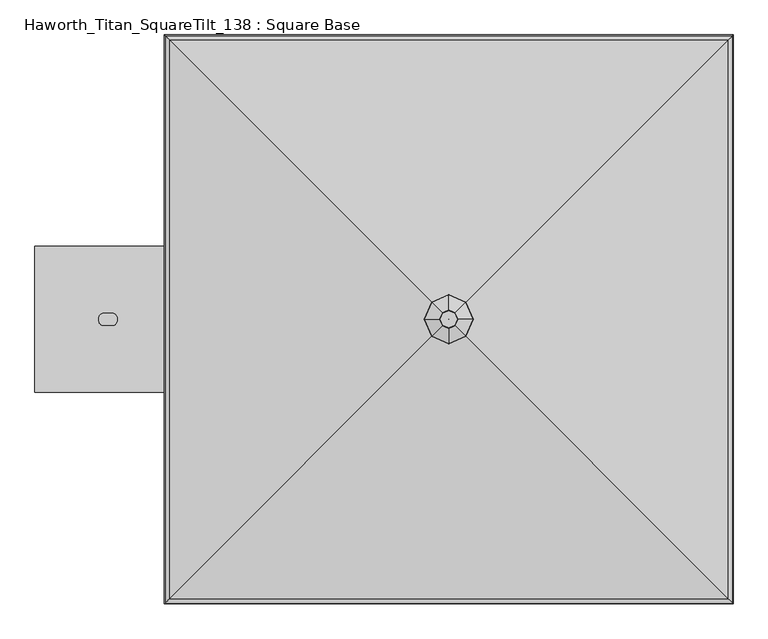
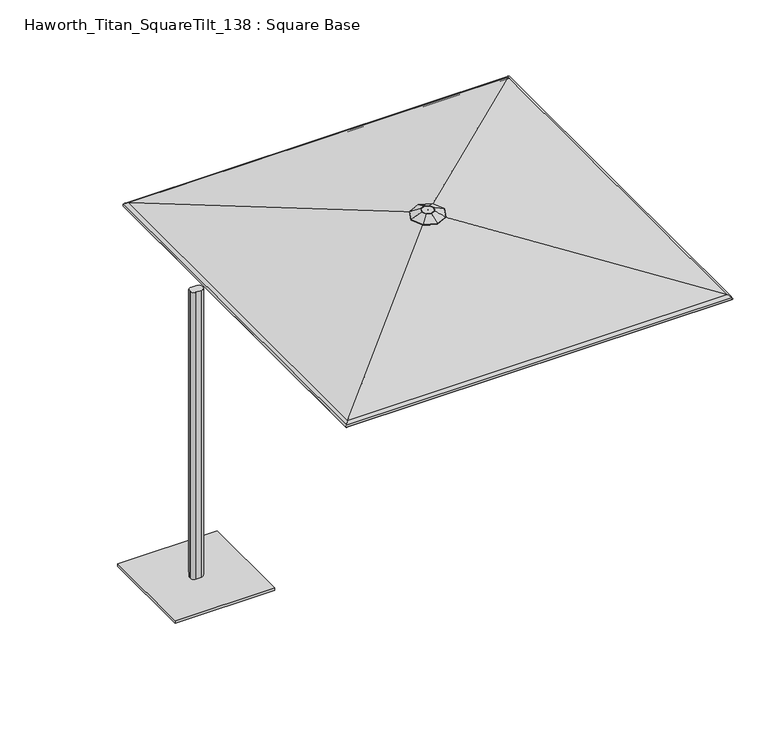
"""IFC4 building model written with IfcOpenShell, lengths in millimetres: furniture geometry, Haworth_Titan_SquareTilt_138 : Square Base."""

from ifc_helpers import new_model, si_unit, point, frame, frame_2d, origin, origin_with_axes, place, context, project, spatial, polyline, circle_curve, ellipse_curve, trimmed, segment, composite_curve, outline, extrude, source, transform, mapped, element, save
from ifc_brep_helpers import plane_surface, cylinder_surface, revolved_surface, advanced_brep


def haworth_titan_squaretilt_138_square_base_9fbd0736(model_context):
    return source(origin(), model_context, "Body", "SolidModel", [
        advanced_brep(
        [(243.7167733, -4.0299408, 2843.4799255), (227.6284214, 33.0984806, 2843.4799255), (190.5, 49.1868325, 2843.4799255), (153.3715786, 33.0984806, 2843.4799255), (137.2832267, -4.0299408, 2843.4799255), (153.3715786, -41.1583622, 2843.4799255), (190.5, -57.2467141, 2843.4799255), (227.6284214, -41.1583622, 2843.4799255), (190.2200807, -3.7500215, 2843.4799255), (190.5, -3.6287279, 2843.4799255), (190.7799193, -3.7500215, 2843.4799255), (190.9012128, -4.0299408, 2843.4799255), (190.7799193, -4.30986, 2843.4799255), (190.5, -4.4311536, 2843.4799255), (190.2200807, -4.30986, 2843.4799255), (190.0987872, -4.0299408, 2843.4799255), (170.7122835, 15.7577757, 2828.9716869), (190.5, 24.3321167, 2828.9716869), (210.2877165, 15.7577757, 2828.9716869), (218.8620575, -4.0299408, 2828.9716869), (210.2877165, -23.8176572, 2828.9716869), (190.5, -32.3919982, 2828.9716869), (170.7122835, -23.8176572, 2828.9716869), (162.1379425, -4.0299408, 2828.9716869), (190.9012128, -4.0299408, 2828.9716869), (190.7799193, -3.7500215, 2828.9716869), (190.5, -3.6287279, 2828.9716869), (190.2200807, -3.7500215, 2828.9716869), (190.0987872, -4.0299408, 2828.9716869), (190.2200807, -4.30986, 2828.9716869), (190.5, -4.4311536, 2828.9716869), (190.7799193, -4.30986, 2828.9716869), (84.5700231, 101.9000361, 2796.4187712), (38.6688326, -4.0299408, 2796.4187712), (83.8039003, 102.6661589, 2798.9948487), (37.5707362, -4.0299408, 2798.9948487), (149.033862, 37.4361973, 2842.1265361), (131.0659065, -4.0299408, 2842.1265361), (84.5700231, -109.9599176, 2796.4187712), (83.8039003, -110.7260405, 2798.9948487), (149.033862, -45.4960788, 2842.1265361), (190.5, -155.8611082, 2796.4187712), (190.5, -156.9592046, 2798.9948487), (190.5, -63.4640343, 2842.1265361), (296.4299769, -109.9599176, 2796.4187712), (297.1960997, -110.7260405, 2798.9948487), (231.966138, -45.4960788, 2842.1265361), (342.3311674, -4.0299408, 2796.4187712), (343.4292638, -4.0299408, 2798.9948487), (249.9340935, -4.0299408, 2842.1265361), (296.4299769, 101.9000361, 2796.4187712), (297.1960997, 102.6661589, 2798.9948487), (231.966138, 37.4361973, 2842.1265361), (190.5, 147.8012266, 2796.4187712), (190.5, 148.899323, 2798.9948487), (190.5, 55.4041527, 2842.1265361)],
        [
            (0, 1),
            (1, 2),
            (2, 3),
            (3, 4),
            (4, 5),
            (5, 6),
            (6, 7),
            (7, 0),
            (8, 9),
            (9, 10),
            (10, 11),
            (11, 12),
            (12, 13),
            (13, 14),
            (14, 15),
            (15, 8),
            (16, 17),
            (17, 18),
            (18, 19),
            (19, 20),
            (20, 21),
            (21, 22),
            (22, 23),
            (23, 16),
            (24, 25),
            (25, 26),
            (26, 27),
            (27, 28),
            (28, 29),
            (29, 30),
            (30, 31),
            (31, 24),
            (27, 8),
            (15, 28),
            (14, 29),
            (13, 30),
            (12, 31),
            (11, 24),
            (10, 25),
            (9, 26),
            (32, 16),
            (23, 33),
            (33, 32),
            (34, 32, ellipse_curve(frame((84.278338, 102.1917212, 2797.7538132), z_axis=(-0.7071067811865479, -0.707106781186547, 0.0), x_axis=(-0.7071067811865467, 0.7071067811865482, 0.0)), 1.4936871, 1.3890625)),
            (33, 35, ellipse_curve(frame((38.2507556, -4.0299408, 2797.7538132), z_axis=(0.0, 0.9999999999999999, 0.0), x_axis=(1.0, 0.0, 0.0)), 1.5138634, 1.3890625)),
            (35, 34),
            (36, 34),
            (35, 37),
            (37, 36),
            (3, 36, ellipse_curve(frame((153.3715786, 33.0984806, 2830.7799255), z_axis=(-0.7071067811865479, -0.707106781186547, 0.0), x_axis=(-0.7071067811865467, 0.7071067811865482, 0.0)), 13.656568, 12.7)),
            (37, 4, ellipse_curve(frame((137.2832267, -4.0299408, 2830.7799255), z_axis=(0.0, 0.9999999999999999, 0.0), x_axis=(1.0, 0.0, 0.0)), 13.8410369, 12.7)),
            (22, 38),
            (38, 33),
            (38, 39, ellipse_curve(frame((84.278338, -110.2516027, 2797.7538132), z_axis=(-0.707106781186547, 0.707106781186548, 0.0), x_axis=(0.7071067811865479, 0.707106781186547, 0.0)), 1.4936871, 1.3890625)),
            (39, 35),
            (39, 40),
            (40, 37),
            (40, 5, ellipse_curve(frame((153.3715786, -41.1583622, 2830.7799255), z_axis=(-0.707106781186547, 0.707106781186548, 0.0), x_axis=(0.7071067811865479, 0.707106781186547, 0.0)), 13.656568, 12.7)),
            (21, 41),
            (41, 38),
            (41, 42, ellipse_curve(frame((190.5, -156.2791852, 2797.7538132), z_axis=(-0.9999999999999999, 0.0, 0.0), x_axis=(0.0, 1.0, 0.0)), 1.5138634, 1.3890625)),
            (42, 39),
            (42, 43),
            (43, 40),
            (43, 6, ellipse_curve(frame((190.5, -57.2467141, 2830.7799255), z_axis=(-0.9999999999999999, 0.0, 0.0), x_axis=(0.0, 1.0, 0.0)), 13.8410369, 12.7)),
            (20, 44),
            (44, 41),
            (44, 45, ellipse_curve(frame((296.721662, -110.2516027, 2797.7538132), z_axis=(-0.707106781186548, -0.707106781186547, 0.0), x_axis=(-0.7071067811865469, 0.7071067811865481, 0.0)), 1.4936871, 1.3890625)),
            (45, 42),
            (45, 46),
            (46, 43),
            (46, 7, ellipse_curve(frame((227.6284214, -41.1583622, 2830.7799255), z_axis=(-0.707106781186548, -0.707106781186547, 0.0), x_axis=(-0.7071067811865469, 0.7071067811865481, 0.0)), 13.656568, 12.7)),
            (19, 47),
            (47, 44),
            (47, 48, ellipse_curve(frame((342.7492444, -4.0299408, 2797.7538132), z_axis=(0.0, -1.0, 0.0), x_axis=(-1.0, 0.0, 0.0)), 1.5138634, 1.3890625)),
            (48, 45),
            (48, 49),
            (49, 46),
            (49, 0, ellipse_curve(frame((243.7167733, -4.0299408, 2830.7799255), z_axis=(0.0, -1.0, 0.0), x_axis=(-1.0, 0.0, 0.0)), 13.8410369, 12.7)),
            (18, 50),
            (50, 47),
            (50, 51, ellipse_curve(frame((296.721662, 102.1917212, 2797.7538132), z_axis=(0.707106781186547, -0.707106781186548, 0.0), x_axis=(-0.7071067811865478, -0.7071067811865471, 0.0)), 1.4936871, 1.3890625)),
            (51, 48),
            (51, 52),
            (52, 49),
            (52, 1, ellipse_curve(frame((227.6284214, 33.0984806, 2830.7799255), z_axis=(0.707106781186547, -0.707106781186548, 0.0), x_axis=(-0.7071067811865478, -0.7071067811865471, 0.0)), 13.656568, 12.7)),
            (17, 53),
            (53, 50),
            (53, 54, ellipse_curve(frame((190.5, 148.2193037, 2797.7538132), z_axis=(0.9999999999999999, 0.0, 0.0), x_axis=(0.0, -1.0, 0.0)), 1.5138634, 1.3890625)),
            (54, 51),
            (54, 55),
            (55, 52),
            (55, 2, ellipse_curve(frame((190.5, 49.1868325, 2830.7799255), z_axis=(0.9999999999999999, 0.0, 0.0), x_axis=(0.0, -1.0, 0.0)), 13.8410369, 12.7)),
            (32, 53),
            (34, 54),
            (36, 55),
        ],
        [
            plane_surface(frame((190.5, 49.1868325, 2843.4799255), z_axis=(0.0, 0.0, 1.0), x_axis=(-0.9175613115760063, -0.3975943152246007, 0.0))),
            plane_surface(frame((190.5, -3.6287279, 2828.9716869), z_axis=(0.0, 0.0, -1.0000000000000002), x_axis=(-0.9175613115759947, -0.39759431522462746, 0.0))),
            plane_surface(frame((190.2200807, -3.7500215, 2843.4799255), z_axis=(0.9175613115760348, -0.397594315224535, 0.0), x_axis=(-0.397594315224535, -0.9175613115760348, 0.0))),
            plane_surface(frame((190.0987872, -4.0299408, 2843.4799255), z_axis=(0.9175613115760161, 0.3975943152245781, 0.0), x_axis=(0.3975943152245781, -0.9175613115760161, 0.0))),
            plane_surface(frame((190.2200807, -4.30986, 2843.4799255), z_axis=(0.39759431522454197, 0.9175613115760317, 0.0), x_axis=(0.9175613115760317, -0.39759431522454197, 0.0))),
            plane_surface(frame((190.5, -4.4311536, 2843.4799255), z_axis=(-0.3975943152245726, 0.9175613115760184, 0.0), x_axis=(0.9175613115760184, 0.3975943152245726, 0.0))),
            plane_surface(frame((190.7799193, -4.30986, 2843.4799255), z_axis=(-0.9175613115759994, 0.39759431522461663, 0.0), x_axis=(0.39759431522461663, 0.9175613115759994, 0.0))),
            plane_surface(frame((190.9012128, -4.0299408, 2843.4799255), z_axis=(-0.91756131157602, -0.3975943152245694, 0.0), x_axis=(-0.3975943152245694, 0.91756131157602, 0.0))),
            plane_surface(frame((190.7799193, -3.7500215, 2843.4799255), z_axis=(-0.3975943152246114, -0.9175613115760016, 0.0), x_axis=(-0.9175613115760016, 0.3975943152246114, 0.0))),
            plane_surface(frame((190.5, -3.6287279, 2843.4799255), z_axis=(0.39759431522460253, -0.9175613115760055, 0.0), x_axis=(-0.9175613115760055, -0.39759431522460253, 0.0))),
            plane_surface(frame((170.7122835, 15.7577757, 2828.9716869), z_axis=(0.25339888552783735, -0.10980187928485084, -0.9611100624375781), x_axis=(-0.39759431522460265, -0.9175613115760055, 0.0))),
            cylinder_surface(frame((84.3593942, 102.3787813, 2797.7538132), z_axis=(0.3975943152246023, 0.9175613115760056, 0.0), x_axis=(0.9175613115760056, -0.3975943152246023, 0.0)), 1.3890625),
            plane_surface(frame((83.8039003, 102.6661589, 2798.9948487), z_axis=(-0.4121636618055376, 0.1785972520948631, 0.8934339021053628), x_axis=(-0.3975943152246023, -0.9175613115760056, 0.0))),
            cylinder_surface(frame((167.7366896, 66.2500363, 2830.7799255), z_axis=(0.3975943152246023, 0.9175613115760056, 0.0), x_axis=(0.9175613115760056, -0.3975943152246023, 0.0)), 12.7),
            plane_surface(frame((162.1379425, -4.0299408, 2828.9716869), z_axis=(0.25339888552783774, 0.1098018792848499, -0.9611100624375779), x_axis=(0.39759431522459926, -0.9175613115760068, 0.0))),
            cylinder_surface(frame((38.1619188, -3.8249249, 2797.7538132), z_axis=(-0.39759431522459965, 0.9175613115760068, 0.0), x_axis=(0.9175613115760068, 0.39759431522459965, 0.0)), 1.3890625),
            plane_surface(frame((37.5707362, -4.0299408, 2798.9948487), z_axis=(-0.41216366180553804, -0.17859725209486188, 0.8934339021053624), x_axis=(0.39759431522459965, -0.9175613115760067, 0.0))),
            cylinder_surface(frame((121.5392142, 32.3038202, 2830.7799255), z_axis=(-0.39759431522459965, 0.9175613115760068, 0.0), x_axis=(0.9175613115760068, 0.39759431522459965, 0.0)), 12.7),
            plane_surface(frame((170.7122835, -23.8176572, 2828.9716869), z_axis=(0.10980187928485022, 0.2533988855278375, -0.9611100624375781), x_axis=(0.9175613115760065, -0.39759431522460054, 0.0))),
            cylinder_surface(frame((84.0912779, -110.1705465, 2797.7538132), z_axis=(-0.9175613115760063, 0.3975943152246009, 0.0), x_axis=(0.3975943152246009, 0.9175613115760063, 0.0)), 1.3890625),
            plane_surface(frame((83.8039003, -110.7260405, 2798.9948487), z_axis=(-0.17859725209486255, -0.4121636618055377, 0.8934339021053628), x_axis=(0.9175613115760062, -0.39759431522460115, 0.0))),
            cylinder_surface(frame((120.2200229, -26.7932512, 2830.7799255), z_axis=(-0.9175613115760063, 0.3975943152246009, 0.0), x_axis=(0.3975943152246009, 0.9175613115760063, 0.0)), 12.7),
            plane_surface(frame((190.5, -32.3919982, 2828.9716869), z_axis=(-0.10980187928485018, 0.2533988855278376, -0.9611100624375781), x_axis=(0.9175613115760065, 0.39759431522460026, 0.0))),
            cylinder_surface(frame((190.2949841, -156.368022, 2797.7538132), z_axis=(-0.9175613115760062, -0.3975943152246011, 0.0), x_axis=(-0.3975943152246011, 0.9175613115760062, 0.0)), 1.3890625),
            plane_surface(frame((190.5, -156.9592046, 2798.9948487), z_axis=(0.1785972520948624, -0.4121636618055376, 0.8934339021053627), x_axis=(0.9175613115760062, 0.397594315224601, 0.0))),
            cylinder_surface(frame((154.1662391, -72.9907266, 2830.7799255), z_axis=(-0.9175613115760062, -0.3975943152246011, 0.0), x_axis=(-0.3975943152246011, 0.9175613115760062, 0.0)), 12.7),
            plane_surface(frame((210.2877165, -23.8176572, 2828.9716869), z_axis=(-0.2533988855278374, 0.10980187928485075, -0.9611100624375781), x_axis=(0.3975943152246023, 0.9175613115760056, 0.0))),
            cylinder_surface(frame((296.6406058, -110.4386628, 2797.7538132), z_axis=(-0.3975943152246023, -0.9175613115760057, 0.0), x_axis=(-0.9175613115760057, 0.3975943152246023, 0.0)), 1.3890625),
            plane_surface(frame((297.1960997, -110.7260405, 2798.9948487), z_axis=(0.4121636618055374, -0.17859725209486313, 0.8934339021053627), x_axis=(0.39759431522460253, 0.9175613115760055, 0.0))),
            cylinder_surface(frame((213.2633104, -74.3099178, 2830.7799255), z_axis=(-0.3975943152246023, -0.9175613115760057, 0.0), x_axis=(-0.9175613115760057, 0.3975943152246023, 0.0)), 12.7),
            plane_surface(frame((218.8620575, -4.0299408, 2828.9716869), z_axis=(-0.2533988855278377, -0.1098018792848499, -0.961110062437578), x_axis=(-0.3975943152245993, 0.9175613115760068, 0.0))),
            cylinder_surface(frame((342.8380812, -4.2349567, 2797.7538132), z_axis=(0.39759431522459965, -0.9175613115760066, 0.0), x_axis=(-0.9175613115760066, -0.39759431522459965, 0.0)), 1.3890625),
            plane_surface(frame((343.4292638, -4.0299408, 2798.9948487), z_axis=(0.4121636618055379, 0.1785972520948618, 0.8934339021053627), x_axis=(-0.3975943152245996, 0.9175613115760067, 0.0))),
            cylinder_surface(frame((259.4607858, -40.3637017, 2830.7799255), z_axis=(0.39759431522459965, -0.9175613115760066, 0.0), x_axis=(-0.9175613115760066, -0.39759431522459965, 0.0)), 12.7),
            plane_surface(frame((210.2877165, 15.7577757, 2828.9716869), z_axis=(-0.10980187928485009, -0.2533988855278375, -0.961110062437578), x_axis=(-0.9175613115760065, 0.3975943152246001, 0.0))),
            cylinder_surface(frame((296.9087221, 102.110665, 2797.7538132), z_axis=(0.9175613115760062, -0.3975943152246008, 0.0), x_axis=(-0.3975943152246008, -0.9175613115760062, 0.0)), 1.3890625),
            plane_surface(frame((297.1960997, 102.6661589, 2798.9948487), z_axis=(0.17859725209486232, 0.41216366180553754, 0.8934339021053628), x_axis=(-0.9175613115760062, 0.39759431522460087, 0.0))),
            cylinder_surface(frame((260.7799771, 18.7333696, 2830.7799255), z_axis=(0.9175613115760062, -0.3975943152246008, 0.0), x_axis=(-0.3975943152246008, -0.9175613115760062, 0.0)), 12.7),
            plane_surface(frame((190.5, 24.3321167, 2828.9716869), z_axis=(0.1098018792848503, -0.25339888552783746, -0.961110062437578), x_axis=(-0.9175613115760063, -0.39759431522460087, 0.0))),
            cylinder_surface(frame((190.7050159, 148.3081404, 2797.7538132), z_axis=(0.9175613115760061, 0.39759431522460115, 0.0), x_axis=(0.39759431522460115, -0.9175613115760061, 0.0)), 1.3890625),
            plane_surface(frame((190.5, 148.899323, 2798.9948487), z_axis=(-0.17859725209486235, 0.4121636618055375, 0.8934339021053627), x_axis=(-0.9175613115760062, -0.397594315224601, 0.0))),
            cylinder_surface(frame((226.8337609, 64.9308451, 2830.7799255), z_axis=(0.9175613115760061, 0.39759431522460115, 0.0), x_axis=(0.39759431522460115, -0.9175613115760061, 0.0)), 12.7),
        ],
        [
            (0, [[1, 2, 3, 4, 5, 6, 7, 8], [9, 10, 11, 12, 13, 14, 15, 16]]),
            (1, [[17, 18, 19, 20, 21, 22, 23, 24], [25, 26, 27, 28, 29, 30, 31, 32]]),
            (2, [[33, -16, 34, -28]]),
            (3, [[-34, -15, 35, -29]]),
            (4, [[-35, -14, 36, -30]]),
            (5, [[-36, -13, 37, -31]]),
            (6, [[-37, -12, 38, -32]]),
            (7, [[-38, -11, 39, -25]]),
            (8, [[-39, -10, 40, -26]]),
            (9, [[-40, -9, -33, -27]]),
            (10, [[41, -24, 42, 43]]),
            (11, [[44, -43, 45, 46]]),
            (12, [[47, -46, 48, 49]]),
            (13, [[50, -49, 51, -4]]),
            (14, [[-42, -23, 52, 53]]),
            (15, [[-45, -53, 54, 55]]),
            (16, [[-48, -55, 56, 57]]),
            (17, [[-51, -57, 58, -5]]),
            (18, [[-52, -22, 59, 60]]),
            (19, [[-54, -60, 61, 62]]),
            (20, [[-56, -62, 63, 64]]),
            (21, [[-58, -64, 65, -6]]),
            (22, [[-59, -21, 66, 67]]),
            (23, [[-61, -67, 68, 69]]),
            (24, [[-63, -69, 70, 71]]),
            (25, [[-65, -71, 72, -7]]),
            (26, [[-66, -20, 73, 74]]),
            (27, [[-68, -74, 75, 76]]),
            (28, [[-70, -76, 77, 78]]),
            (29, [[-72, -78, 79, -8]]),
            (30, [[-73, -19, 80, 81]]),
            (31, [[-75, -81, 82, 83]]),
            (32, [[-77, -83, 84, 85]]),
            (33, [[-79, -85, 86, -1]]),
            (34, [[-80, -18, 87, 88]]),
            (35, [[-82, -88, 89, 90]]),
            (36, [[-84, -90, 91, 92]]),
            (37, [[-86, -92, 93, -2]]),
            (38, [[-87, -17, -41, 94]]),
            (39, [[-89, -94, -44, 95]]),
            (40, [[-91, -95, -47, 96]]),
            (41, [[-93, -96, -50, -3]]),
        ],
    ),
        advanced_brep(
        [(1969.2597722, 1775.5831599, 2424.8460308), (1966.4607714, 1772.7841591, 2444.7505632), (1966.4607714, -1780.8440407, 2444.7505632), (1969.2597722, -1783.6430415, 2424.8460308), (1964.8682201, 1771.1916078, 2426.0889856), (1964.8682201, -1779.2514894, 2426.0889856), (1962.5823249, 1768.9057126, 2442.3446706), (1962.5823249, -1776.9655942, 2442.3446706), (-1588.2597722, -1783.6430415, 2424.8460308), (-1583.8682201, -1779.2514894, 2426.0889856), (-1581.5823249, -1776.9655942, 2442.3446706), (1936.4170078, -1750.8002771, 2460.5452311), (-1555.4170078, -1750.8002771, 2460.5452311), (238.8667055, -53.2499747, 2804.5941208), (142.1332945, -53.2499747, 2804.5941208), (191.0356592, -5.4189284, 2809.1581833), (191.0356592, -5.4189284, 2804.5941208), (189.9643408, -5.4189284, 2804.5941208), (189.9643408, -5.4189284, 2809.1581833), (1937.3235912, -1751.7068604, 2465.0183478), (239.3245589, -53.7078281, 2809.1581833), (141.6754411, -53.7078281, 2809.1581833), (-1556.3235912, -1751.7068604, 2465.0183478), (-1585.4607714, -1780.8440407, 2444.7505632), (-1588.2597722, 1775.5831599, 2424.8460308), (-1583.8682201, 1771.1916078, 2426.0889856), (-1581.5823249, 1768.9057126, 2442.3446706), (-1555.4170078, 1742.7403955, 2460.5452311), (142.1332945, 45.1900932, 2804.5941208), (189.9643408, -2.6409532, 2804.5941208), (189.9643408, -2.6409532, 2809.1581833), (141.6754411, 45.6479465, 2809.1581833), (-1556.3235912, 1743.6469788, 2465.0183478), (-1585.4607714, 1772.7841591, 2444.7505632), (1936.4170078, 1742.7403955, 2460.5452311), (238.8667055, 45.1900932, 2804.5941208), (191.0356592, -2.6409532, 2804.5941208), (191.0356592, -2.6409532, 2809.1581833), (239.3245589, 45.6479465, 2809.1581833), (1937.3235912, 1743.6469788, 2465.0183478)],
        [
            (0, 1, ellipse_curve(frame((1945.3037712, 1751.6271588, 2431.626373), z_axis=(0.7071067811865479, -0.707106781186547, 0.0), x_axis=(0.7071067811865469, 0.7071067811865481, 0.0)), 35.2097438, 24.8970486)),
            (1, 2),
            (2, 3, ellipse_curve(frame((1945.3037712, -1759.6870404, 2431.626373), z_axis=(0.7071067811865492, 0.7071067811865457, 0.0), x_axis=(-0.7071067811865456, 0.7071067811865493, 0.0)), 35.2097438, 24.8970486)),
            (3, 0),
            (4, 0, ellipse_curve(frame((1967.0639962, 1773.3873839, 2425.4675082), z_axis=(0.7071067811865479, -0.707106781186547, 0.0), x_axis=(0.7071067811865469, 0.7071067811865481, 0.0)), 3.2272795, 2.2820312)),
            (3, 5, ellipse_curve(frame((1967.0639962, -1781.4472654, 2425.4675082), z_axis=(0.7071067811865492, 0.7071067811865457, 0.0), x_axis=(-0.7071067811865456, 0.7071067811865493, 0.0)), 3.2272795, 2.2820312)),
            (5, 4),
            (6, 4, ellipse_curve(frame((1945.3037712, 1751.6271588, 2431.626373), z_axis=(-0.7071067811865479, 0.707106781186547, 0.0), x_axis=(-0.7071067811865469, -0.7071067811865481, 0.0)), 28.7551847, 20.3329861)),
            (5, 7, ellipse_curve(frame((1945.3037712, -1759.6870404, 2431.626373), z_axis=(-0.7071067811865492, -0.7071067811865457, 0.0), x_axis=(0.7071067811865456, -0.7071067811865493, 0.0)), 28.7551847, 20.3329861)),
            (7, 6),
            (3, 8),
            (8, 9, ellipse_curve(frame((-1586.0639962, -1781.4472654, 2425.4675082), z_axis=(0.7071067811865469, -0.7071067811865481, 0.0), x_axis=(0.7071067811865481, 0.7071067811865469, 0.0)), 3.2272795, 2.2820312)),
            (9, 5),
            (9, 10, ellipse_curve(frame((-1564.3037712, -1759.6870404, 2431.626373), z_axis=(-0.7071067811865469, 0.7071067811865481, 0.0), x_axis=(-0.7071067811865481, -0.7071067811865469, 0.0)), 28.7551847, 20.3329861)),
            (10, 7),
            (11, 7, ellipse_curve(frame((1928.4351327, -1742.8184019, 2421.1623556), z_axis=(0.7071067811865492, 0.7071067811865457, 0.0), x_axis=(-0.7071067811865458, 0.7071067811865491, 0.0)), 56.8281833, 40.1835938)),
            (10, 12, ellipse_curve(frame((-1547.4351327, -1742.8184019, 2421.1623556), z_axis=(-0.7071067811865469, 0.7071067811865481, 0.0), x_axis=(-0.7071067811865481, -0.7071067811865469, 0.0)), 56.8281833, 40.1835938)),
            (12, 11),
            (13, 11),
            (12, 14),
            (14, 13),
            (15, 16),
            (16, 17),
            (17, 18),
            (18, 15),
            (19, 20),
            (20, 21),
            (21, 22),
            (22, 19),
            (2, 19, ellipse_curve(frame((1928.4351327, -1742.8184019, 2421.1623556), z_axis=(-0.7071067811865492, -0.7071067811865457, 0.0), x_axis=(0.7071067811865458, -0.7071067811865491, 0.0)), 63.2827424, 44.7476563)),
            (22, 23, ellipse_curve(frame((-1547.4351327, -1742.8184019, 2421.1623556), z_axis=(0.7071067811865469, -0.7071067811865481, 0.0), x_axis=(0.7071067811865481, 0.7071067811865469, 0.0)), 63.2827424, 44.7476563)),
            (23, 2),
            (23, 8, ellipse_curve(frame((-1564.3037712, -1759.6870404, 2431.626373), z_axis=(0.7071067811865469, -0.7071067811865481, 0.0), x_axis=(0.7071067811865481, 0.7071067811865469, 0.0)), 35.2097438, 24.8970486)),
            (8, 24),
            (24, 25, ellipse_curve(frame((-1586.0639962, 1773.3873839, 2425.4675082), z_axis=(-0.7071067811865459, -0.7071067811865491, 0.0), x_axis=(0.7071067811865491, -0.7071067811865458, 0.0)), 3.2272795, 2.2820312)),
            (25, 9),
            (25, 26, ellipse_curve(frame((-1564.3037712, 1751.6271588, 2431.626373), z_axis=(0.7071067811865459, 0.7071067811865491, 0.0), x_axis=(-0.7071067811865491, 0.7071067811865458, 0.0)), 28.7551847, 20.3329861)),
            (26, 10),
            (26, 27, ellipse_curve(frame((-1547.4351327, 1734.7585204, 2421.1623556), z_axis=(0.7071067811865459, 0.7071067811865491, 0.0), x_axis=(-0.7071067811865491, 0.7071067811865458, 0.0)), 56.8281833, 40.1835938)),
            (27, 12),
            (27, 28),
            (28, 14),
            (17, 29),
            (29, 30),
            (30, 18),
            (21, 31),
            (31, 32),
            (32, 22),
            (32, 33, ellipse_curve(frame((-1547.4351327, 1734.7585204, 2421.1623556), z_axis=(-0.7071067811865459, -0.7071067811865491, 0.0), x_axis=(0.7071067811865491, -0.7071067811865458, 0.0)), 63.2827424, 44.7476563)),
            (33, 23),
            (33, 24, ellipse_curve(frame((-1564.3037712, 1751.6271588, 2431.626373), z_axis=(-0.7071067811865459, -0.7071067811865491, 0.0), x_axis=(0.7071067811865491, -0.7071067811865458, 0.0)), 35.2097438, 24.8970486)),
            (24, 0),
            (4, 25),
            (6, 26),
            (6, 34, ellipse_curve(frame((1928.4351327, 1734.7585204, 2421.1623556), z_axis=(0.7071067811865479, -0.707106781186547, 0.0), x_axis=(0.7071067811865472, 0.7071067811865477, 0.0)), 56.8281833, 40.1835938)),
            (34, 27),
            (34, 35),
            (35, 28),
            (29, 36),
            (36, 37),
            (37, 30),
            (31, 38),
            (38, 39),
            (39, 32),
            (39, 1, ellipse_curve(frame((1928.4351327, 1734.7585204, 2421.1623556), z_axis=(-0.7071067811865479, 0.707106781186547, 0.0), x_axis=(-0.7071067811865472, -0.7071067811865477, 0.0)), 63.2827424, 44.7476563)),
            (1, 33),
            (11, 34),
            (13, 35),
            (16, 36),
            (15, 37),
            (20, 38),
            (19, 39),
        ],
        [
            cylinder_surface(frame((1945.3037712, 1783.2910751, 2431.626373), z_axis=(0.0, 1.0, 0.0), x_axis=(1.0, 0.0, 0.0)), 24.8970486),
            cylinder_surface(frame((1967.0639962, 1783.2910751, 2425.4675082), z_axis=(0.0, 1.0, 0.0), x_axis=(1.0, 0.0, 0.0)), 2.2820312),
            revolved_surface(polyline([(1965.6367573, -1780.020026495642, 2431.626373), (1965.6367573, 1771.9601448956416, 2431.626373)]), (1945.3037712, 1783.2910751, 2431.626373), (0.0, -1.0, 0.0)),
            cylinder_surface(frame((1976.9676874, -1781.4472654, 2425.4675082), z_axis=(1.0, 0.0, 0.0), x_axis=(0.0, -1.0, 0.0)), 2.2820312),
            revolved_surface(polyline([(-1584.6367572956422, -1780.0200264999999, 2431.626373), (1965.6367572956417, -1780.0200264999999, 2431.626373)]), (1976.9676874, -1759.6870404, 2431.626373), (-1.0, 0.0, 0.0)),
            revolved_surface(polyline([(-1587.6187264739422, -1783.0019957, 2421.1623556), (1968.618726473942, -1783.0019957, 2421.1623556)]), (1976.9676874, -1742.8184019, 2421.1623556), (-1.0, 0.0, 0.0)),
            plane_surface(frame((1936.4170078, -1750.8002771, 2460.5452311), z_axis=(0.0, 0.19863517413845191, -0.9800735011186594), x_axis=(-1.0, 0.0, 0.0))),
            plane_surface(frame((191.0356592, -5.4189284, 2804.5941208), z_axis=(0.0, 1.0, 0.0), x_axis=(-1.0, 0.0, 0.0))),
            plane_surface(frame((239.3245589, -53.7078281, 2809.1581833), z_axis=(0.0, -0.19863517413845186, 0.9800735011186594), x_axis=(-1.0, 0.0, 0.0))),
            cylinder_surface(frame((1976.9676874, -1742.8184019, 2421.1623556), z_axis=(1.0, 0.0, 0.0), x_axis=(0.0, -1.0, 0.0)), 44.7476563),
            cylinder_surface(frame((1976.9676874, -1759.6870404, 2431.626373), z_axis=(1.0, 0.0, 0.0), x_axis=(0.0, -1.0, 0.0)), 24.8970486),
            cylinder_surface(frame((-1586.0639962, -1791.3509566, 2425.4675082), z_axis=(0.0, -1.0, 0.0), x_axis=(-1.0, 0.0, 0.0)), 2.2820312),
            revolved_surface(polyline([(-1584.6367573, 1771.9601448956416, 2431.626373), (-1584.6367573, -1780.0200264956416, 2431.626373)]), (-1564.3037712, -1791.3509566, 2431.626373), (0.0, 1.0, 0.0)),
            revolved_surface(polyline([(-1587.6187264999999, 1774.942114173942, 2421.1623556), (-1587.6187264999999, -1783.001995673942, 2421.1623556)]), (-1547.4351327, -1791.3509566, 2421.1623556), (0.0, 1.0, 0.0)),
            plane_surface(frame((-1555.4170078, -1750.8002771, 2460.5452311), z_axis=(0.19863517413844872, 0.0, -0.9800735011186601), x_axis=(0.0, 1.0, 0.0))),
            plane_surface(frame((189.9643408, -5.4189284, 2804.5941208), z_axis=(1.0, 0.0, 0.0), x_axis=(0.0, 1.0, 0.0))),
            plane_surface(frame((141.6754411, -53.7078281, 2809.1581833), z_axis=(-0.19863517413844867, 0.0, 0.9800735011186601), x_axis=(0.0, 1.0, 0.0))),
            cylinder_surface(frame((-1547.4351327, -1791.3509566, 2421.1623556), z_axis=(0.0, -1.0, 0.0), x_axis=(-1.0, 0.0, 0.0)), 44.7476563),
            cylinder_surface(frame((-1564.3037712, -1791.3509566, 2431.626373), z_axis=(0.0, -1.0, 0.0), x_axis=(-1.0, 0.0, 0.0)), 24.8970486),
            cylinder_surface(frame((-1595.9676874, 1773.3873839, 2425.4675082), z_axis=(-1.0, 0.0, 0.0), x_axis=(0.0, 1.0, 0.0)), 2.2820312),
            revolved_surface(polyline([(1965.6367572956417, 1771.9601449, 2431.626373), (-1584.6367572956417, 1771.9601449, 2431.626373)]), (-1595.9676874, 1751.6271588, 2431.626373), (1.0, 0.0, 0.0)),
            revolved_surface(polyline([(1968.6187264739422, 1774.9421141999999, 2421.1623556), (-1587.6187264739422, 1774.9421141999999, 2421.1623556)]), (-1595.9676874, 1734.7585204, 2421.1623556), (1.0, 0.0, 0.0)),
            plane_surface(frame((-1555.4170078, 1742.7403955, 2460.5452311), z_axis=(0.0, -0.19863517413845191, -0.9800735011186594), x_axis=(1.0, 0.0, 0.0))),
            plane_surface(frame((189.9643408, -2.6409532, 2804.5941208), z_axis=(0.0, -1.0, 0.0), x_axis=(1.0, 0.0, 0.0))),
            plane_surface(frame((141.6754411, 45.6479465, 2809.1581833), z_axis=(0.0, 0.19863517413845186, 0.9800735011186594), x_axis=(1.0, 0.0, 0.0))),
            cylinder_surface(frame((-1595.9676874, 1734.7585204, 2421.1623556), z_axis=(-1.0, 0.0, 0.0), x_axis=(0.0, 1.0, 0.0)), 44.7476563),
            cylinder_surface(frame((-1595.9676874, 1751.6271588, 2431.626373), z_axis=(-1.0, 0.0, 0.0), x_axis=(0.0, 1.0, 0.0)), 24.8970486),
            revolved_surface(polyline([(1968.6187264999999, -1783.001995673942, 2421.1623556), (1968.6187264999999, 1774.9421141739422, 2421.1623556)]), (1928.4351327, 1783.2910751, 2421.1623556), (0.0, -1.0, 0.0)),
            plane_surface(frame((1936.4170078, 1742.7403955, 2460.5452311), z_axis=(-0.1986351741384551, 0.0, -0.9800735011186588), x_axis=(0.0, -1.0, 0.0))),
            plane_surface(frame((238.8667055, 45.1900932, 2804.5941208), z_axis=(0.0, 0.0, -1.0), x_axis=(0.0, -1.0, 0.0))),
            plane_surface(frame((191.0356592, -2.6409532, 2804.5941208), z_axis=(-1.0, 0.0, 0.0), x_axis=(0.0, -1.0, 0.0))),
            plane_surface(frame((191.0356592, -2.6409532, 2809.1581833), z_axis=(0.0, 0.0, 1.0), x_axis=(0.0, -1.0, 0.0))),
            plane_surface(frame((239.3245589, 45.6479465, 2809.1581833), z_axis=(0.19863517413845505, 0.0, 0.9800735011186588), x_axis=(0.0, -1.0, 0.0))),
            cylinder_surface(frame((1928.4351327, 1783.2910751, 2421.1623556), z_axis=(0.0, 1.0, 0.0), x_axis=(1.0, 0.0, 0.0)), 44.7476563),
        ],
        [
            (0, [[1, 2, 3, 4]]),
            (1, [[5, -4, 6, 7]]),
            (2, [[8, -7, 9, 10]]),
            (3, [[-6, 11, 12, 13]]),
            (4, [[-9, -13, 14, 15]]),
            (5, [[16, -15, 17, 18]]),
            (6, [[19, -18, 20, 21]]),
            (7, [[22, 23, 24, 25]]),
            (8, [[26, 27, 28, 29]]),
            (9, [[30, -29, 31, 32]]),
            (10, [[-3, -32, 33, -11]]),
            (11, [[-12, 34, 35, 36]]),
            (12, [[-14, -36, 37, 38]]),
            (13, [[-17, -38, 39, 40]]),
            (14, [[-20, -40, 41, 42]]),
            (15, [[-24, 43, 44, 45]]),
            (16, [[-28, 46, 47, 48]]),
            (17, [[-31, -48, 49, 50]]),
            (18, [[-33, -50, 51, -34]]),
            (19, [[-35, 52, -5, 53]]),
            (20, [[-37, -53, -8, 54]]),
            (21, [[-39, -54, 55, 56]]),
            (22, [[-41, -56, 57, 58]]),
            (23, [[-44, 59, 60, 61]]),
            (24, [[-47, 62, 63, 64]]),
            (25, [[-49, -64, 65, 66]]),
            (26, [[-51, -66, -1, -52]]),
            (27, [[-55, -10, -16, 67]]),
            (28, [[-57, -67, -19, 68]]),
            (29, [[-42, -58, -68, -21], [69, -59, -43, -23]]),
            (30, [[-60, -69, -22, 70]]),
            (31, [[71, -62, -46, -27], [-45, -61, -70, -25]]),
            (32, [[-63, -71, -26, 72]]),
            (33, [[-65, -72, -30, -2]]),
        ],
    ),
        extrude(outline(composite_curve([segment(polyline([(-1916.4300194, -42.1299408), (-1969.7699806, -42.1299408)]), True, "CONTINUOUS"), segment(trimmed(circle_curve(frame_2d((-1969.7699806, -10.3799408)), 31.75), [point((-1969.7699806, -42.1299408))], [point((-2001.5199806, -10.3799408))], False, "CARTESIAN"), True, "CONTINUOUS"), segment(polyline([(-2001.5199806, -10.3799408), (-2001.5199806, 2.3200592)]), True, "CONTINUOUS"), segment(trimmed(circle_curve(frame_2d((-1969.7699806, 2.3200592)), 31.75), [point((-2001.5199806, 2.3200592))], [point((-1969.7699806, 34.0700592))], False, "CARTESIAN"), True, "CONTINUOUS"), segment(polyline([(-1969.7699806, 34.0700592), (-1916.4300194, 34.0700592)]), True, "CONTINUOUS"), segment(trimmed(circle_curve(frame_2d((-1916.4300194, 2.3200592)), 31.75), [point((-1916.4300194, 34.0700592))], [point((-1884.6800194, 2.3200592))], False, "CARTESIAN"), True, "CONTINUOUS"), segment(polyline([(-1884.6800194, 2.3200592), (-1884.6800194, -10.3799408)]), True, "CONTINUOUS"), segment(trimmed(circle_curve(frame_2d((-1916.4300194, -10.3799408)), 31.75), [point((-1884.6800194, -10.3799408))], [point((-1916.4300194, -42.1299408))], False, "CARTESIAN"), True, "CONTINUOUS")], self_intersect=False)), frame((0.0, 0.0, 25.4), z_axis=(0.0, 0.0, 1.0), x_axis=(1.0, 0.0, 0.0)), (0.0, 0.0, 1.0), 2794.0),
        extrude(outline(polyline([(-1485.9, 453.1700592), (-1485.9, -461.2299408), (-2400.3, -461.2299408), (-2400.3, 453.1700592), (-1485.9, 453.1700592)])), origin_with_axes(), (0.0, 0.0, 1.0), 25.4),
    ])


if __name__ == "__main__":
    model = new_model("IFC4")
    model_context = context("Model", 3, world=origin())
    ifc_project = project(units=[si_unit("LENGTHUNIT", "METRE", prefix="MILLI")], contexts=[model_context])
    site = spatial("IfcSite", under=ifc_project)
    building = spatial("IfcBuilding", under=site)
    placement = place(None, origin())
    haworth_titan_squaretilt_138_square_base_shape = haworth_titan_squaretilt_138_square_base_9fbd0736(model_context)
    element("IfcFurniture", 1, ObjectType="Haworth_Titan_SquareTilt_138 : Square Base", at=placement, inside=building, context=model_context, shape_type="MappedRepresentation", body=[
        mapped(haworth_titan_squaretilt_138_square_base_shape, transform((0.0, 0.0, 0.0), x_axis=(1.0, 0.0, 0.0), y_axis=(0.0, 1.0, 0.0), z_axis=(0.0, 0.0, 1.0))),
    ])
    save(model, "model.ifc")
